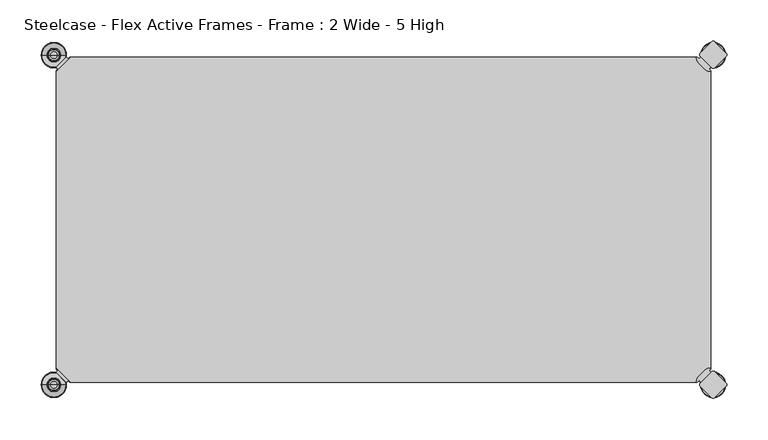
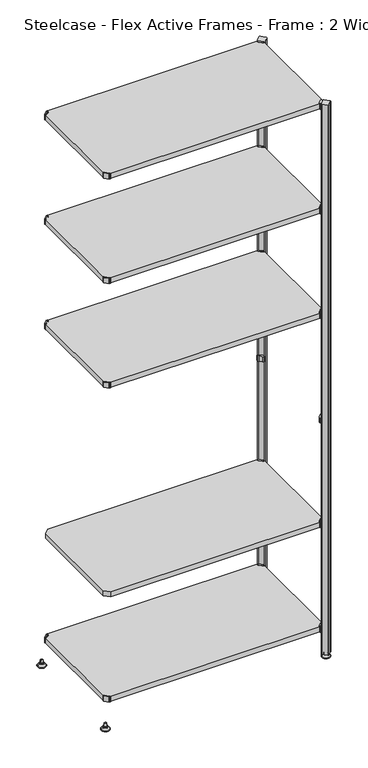
"""IFC4 building model written with IfcOpenShell, lengths in millimetres: furniture geometry, Steelcase - Flex Active Frames - Frame : 2 Wide - 5 High."""

from ifc_helpers import new_model, si_unit, point, frame, frame_2d, origin, place, context, project, spatial, polyline, circle_curve, ellipse_curve, trimmed, segment, composite_curve, outline, extrude, source, transform, mapped, element, save
from ifc_brep_helpers import plane_surface, cylinder_surface, revolved_surface, advanced_brep


def steelcase_flex_active_frames_frame_2_wide_5_high_b948a244(model_context):
    return source(origin(), model_context, "Body", "SolidModel", [
        advanced_brep(
        [(795.4995166, -396.9286835, 0.0), (809.4482375, -396.9286835, 0.0), (781.5507958, -396.9286835, 0.0), (810.3951451, -396.9286835, 2.116325), (780.6038882, -396.9286835, 2.116325), (804.2429012, -396.9286835, 8.9997406), (786.7561321, -396.9286835, 8.9997406), (802.9003852, -396.9286835, 8.9997406), (788.0986481, -396.9286835, 8.9997406), (802.9003852, -396.9286835, 12.0919909), (788.0986481, -396.9286835, 12.0919909), (802.3923852, -396.9286835, 12.5999909), (788.6066481, -396.9286835, 12.5999909), (799.518847, -396.9286835, 12.5999909), (791.4801863, -396.9286835, 12.5999909), (799.518847, -396.9286835, 22.7146261), (791.4801863, -396.9286835, 22.7146261), (795.4995166, -396.9286835, 22.7146261)],
        [
            (0, 1),
            (1, 2, circle_curve(frame((795.4995166, -396.9286835, 0.0), z_axis=(0.0, 0.0, -1.0), x_axis=(1.0, 0.0, 0.0)), 13.9487209)),
            (2, 0),
            (2, 1, circle_curve(frame((795.4995166, -396.9286835, 0.0), z_axis=(0.0, 0.0, -1.0), x_axis=(1.0, 0.0, 0.0)), 13.9487209)),
            (1, 3, circle_curve(frame((809.4482375, -396.9286835, 1.27), z_axis=(0.0, -1.0, 0.0), x_axis=(1.0, 0.0, 0.0)), 1.27)),
            (3, 4, circle_curve(frame((795.4995166, -396.9286835, 2.116325), z_axis=(0.0, 0.0, -1.0), x_axis=(1.0, 0.0, 0.0)), 14.8956285)),
            (4, 2, circle_curve(frame((781.5507958, -396.9286835, 1.27), z_axis=(0.0, -1.0, 0.0), x_axis=(-1.0, 0.0, 0.0)), 1.27)),
            (4, 3, circle_curve(frame((795.4995166, -396.9286835, 2.116325), z_axis=(0.0, 0.0, -1.0), x_axis=(1.0, 0.0, 0.0)), 14.8956285)),
            (3, 5),
            (5, 6, circle_curve(frame((795.4995166, -396.9286835, 8.9997406), z_axis=(0.0, 0.0, -1.0), x_axis=(1.0, 0.0, 0.0)), 8.7433846)),
            (6, 4),
            (6, 5, circle_curve(frame((795.4995166, -396.9286835, 8.9997406), z_axis=(0.0, 0.0, -1.0), x_axis=(1.0, 0.0, 0.0)), 8.7433846)),
            (5, 7),
            (7, 8, circle_curve(frame((795.4995166, -396.9286835, 8.9997406), z_axis=(0.0, 0.0, -1.0), x_axis=(1.0, 0.0, 0.0)), 7.4008685)),
            (8, 6),
            (8, 7, circle_curve(frame((795.4995166, -396.9286835, 8.9997406), z_axis=(0.0, 0.0, -1.0), x_axis=(1.0, 0.0, 0.0)), 7.4008685)),
            (7, 9),
            (9, 10, circle_curve(frame((795.4995166, -396.9286835, 12.0919909), z_axis=(0.0, 0.0, -1.0), x_axis=(1.0, 0.0, 0.0)), 7.4008685)),
            (10, 8),
            (10, 9, circle_curve(frame((795.4995166, -396.9286835, 12.0919909), z_axis=(0.0, 0.0, -1.0), x_axis=(1.0, 0.0, 0.0)), 7.4008685)),
            (9, 11, circle_curve(frame((802.3923852, -396.9286835, 12.0919909), z_axis=(0.0, -1.0, 0.0), x_axis=(1.0, 0.0, 0.0)), 0.508)),
            (11, 12, circle_curve(frame((795.4995166, -396.9286835, 12.5999909), z_axis=(0.0, 0.0, -1.0), x_axis=(1.0, 0.0, 0.0)), 6.8928685)),
            (12, 10, circle_curve(frame((788.6066481, -396.9286835, 12.0919909), z_axis=(0.0, -1.0, 0.0), x_axis=(-1.0, 0.0, 0.0)), 0.508)),
            (12, 11, circle_curve(frame((795.4995166, -396.9286835, 12.5999909), z_axis=(0.0, 0.0, -1.0), x_axis=(1.0, 0.0, 0.0)), 6.8928685)),
            (11, 13),
            (13, 14, circle_curve(frame((795.4995166, -396.9286835, 12.5999909), z_axis=(0.0, 0.0, -1.0), x_axis=(1.0, 0.0, 0.0)), 4.0193303)),
            (14, 12),
            (14, 13, circle_curve(frame((795.4995166, -396.9286835, 12.5999909), z_axis=(0.0, 0.0, -1.0), x_axis=(1.0, 0.0, 0.0)), 4.0193303)),
            (13, 15),
            (15, 16, circle_curve(frame((795.4995166, -396.9286835, 22.7146261), z_axis=(0.0, 0.0, -1.0), x_axis=(1.0, 0.0, 0.0)), 4.0193303)),
            (16, 14),
            (16, 15, circle_curve(frame((795.4995166, -396.9286835, 22.7146261), z_axis=(0.0, 0.0, -1.0), x_axis=(1.0, 0.0, 0.0)), 4.0193303)),
            (15, 17),
            (17, 16),
        ],
        [
            plane_surface(frame((795.4995166, -396.9286835, 0.0), z_axis=(0.0, 0.0, -1.0), x_axis=(1.0, 0.0, 0.0))),
            revolved_surface(trimmed(ellipse_curve(frame((809.4482375, -396.9286835, 1.27), z_axis=(0.0, 1.0, 0.0), x_axis=(1.0, 0.0, 0.0)), 1.27, 1.27), [point((810.3951451, -396.9286835, 2.116325))], [point((809.4482375, -396.9286835, 0.0))], True, "CARTESIAN"), (795.4995166, -396.9286835, 32.0514718), (0.0, 0.0, -1.0)),
            revolved_surface(polyline([(804.2429012, -396.9286835, 8.9997406), (810.3951451, -396.9286835, 2.116325)]), (795.4995166, -396.9286835, 32.0514718), (0.0, 0.0, -1.0)),
            plane_surface(frame((795.4995166, -396.9286835, 8.9997406), z_axis=(0.0, 0.0, 1.0), x_axis=(1.0, 0.0, 0.0))),
            cylinder_surface(frame((795.4995166, -396.9286835, 32.0514718), z_axis=(0.0, 0.0, -1.0), x_axis=(1.0, 0.0, 0.0)), 7.4008685),
            revolved_surface(trimmed(ellipse_curve(frame((802.3923852, -396.9286835, 12.0919909), z_axis=(0.0, 1.0, 0.0), x_axis=(1.0, 0.0, 0.0)), 0.508, 0.508), [point((802.3923852, -396.9286835, 12.5999909))], [point((802.9003852, -396.9286835, 12.0919909))], True, "CARTESIAN"), (795.4995166, -396.9286835, 32.0514718), (0.0, 0.0, -1.0)),
            plane_surface(frame((795.4995166, -396.9286835, 12.5999909), z_axis=(0.0, 0.0, 1.0), x_axis=(1.0, 0.0, 0.0))),
            cylinder_surface(frame((795.4995166, -396.9286835, 32.0514718), z_axis=(0.0, 0.0, -1.0), x_axis=(1.0, 0.0, 0.0)), 4.0193303),
            plane_surface(frame((795.4995166, -396.9286835, 22.7146261), z_axis=(0.0, 0.0, 1.0), x_axis=(1.0, 0.0, 0.0))),
        ],
        [
            (0, [[1, 2, 3]]),
            (0, [[-3, 4, -1]]),
            (1, [[-2, 5, 6, 7]]),
            (1, [[-4, -7, 8, -5]]),
            (2, [[-6, 9, 10, 11]]),
            (2, [[-8, -11, 12, -9]]),
            (3, [[-10, 13, 14, 15]]),
            (3, [[-12, -15, 16, -13]]),
            (4, [[-14, 17, 18, 19]]),
            (4, [[-16, -19, 20, -17]]),
            (5, [[-18, 21, 22, 23]]),
            (5, [[-20, -23, 24, -21]]),
            (6, [[-22, 25, 26, 27]]),
            (6, [[-24, -27, 28, -25]]),
            (7, [[-26, 29, 30, 31]]),
            (7, [[-28, -31, 32, -29]]),
            (8, [[-30, 33, 34]]),
            (8, [[-32, -34, -33]]),
        ],
    ),
        advanced_brep(
        [(795.4995166, 2.9246323, 0.0), (781.5507958, 2.9246323, 0.0), (809.4482375, 2.9246323, 0.0), (780.6038882, 2.9246323, 2.116325), (810.3951451, 2.9246323, 2.116325), (786.7561321, 2.9246323, 8.9997406), (804.2429012, 2.9246323, 8.9997406), (788.0986481, 2.9246323, 8.9997406), (802.9003852, 2.9246323, 8.9997406), (788.0986481, 2.9246323, 12.0919909), (802.9003852, 2.9246323, 12.0919909), (788.6066481, 2.9246323, 12.5999909), (802.3923852, 2.9246323, 12.5999909), (791.4801863, 2.9246323, 12.5999909), (799.518847, 2.9246323, 12.5999909), (791.4801863, 2.9246323, 22.7146261), (799.518847, 2.9246323, 22.7146261), (795.4995166, 2.9246323, 22.7146261)],
        [
            (0, 1),
            (1, 2, circle_curve(frame((795.4995166, 2.9246323, 0.0), z_axis=(0.0, 0.0, -1.0), x_axis=(1.0, 0.0, 0.0)), 13.9487209)),
            (2, 0),
            (2, 1, circle_curve(frame((795.4995166, 2.9246323, 0.0), z_axis=(0.0, 0.0, -1.0), x_axis=(1.0, 0.0, 0.0)), 13.9487209)),
            (1, 3, circle_curve(frame((781.5507958, 2.9246323, 1.27), z_axis=(0.0, 1.0, 0.0), x_axis=(-1.0, 0.0, 0.0)), 1.27)),
            (3, 4, circle_curve(frame((795.4995166, 2.9246323, 2.116325), z_axis=(0.0, 0.0, -1.0), x_axis=(1.0, 0.0, 0.0)), 14.8956285)),
            (4, 2, circle_curve(frame((809.4482375, 2.9246323, 1.27), z_axis=(0.0, 1.0, 0.0), x_axis=(1.0, 0.0, 0.0)), 1.27)),
            (4, 3, circle_curve(frame((795.4995166, 2.9246323, 2.116325), z_axis=(0.0, 0.0, -1.0), x_axis=(1.0, 0.0, 0.0)), 14.8956285)),
            (3, 5),
            (5, 6, circle_curve(frame((795.4995166, 2.9246323, 8.9997406), z_axis=(0.0, 0.0, -1.0), x_axis=(1.0, 0.0, 0.0)), 8.7433846)),
            (6, 4),
            (6, 5, circle_curve(frame((795.4995166, 2.9246323, 8.9997406), z_axis=(0.0, 0.0, -1.0), x_axis=(1.0, 0.0, 0.0)), 8.7433846)),
            (5, 7),
            (7, 8, circle_curve(frame((795.4995166, 2.9246323, 8.9997406), z_axis=(0.0, 0.0, -1.0), x_axis=(1.0, 0.0, 0.0)), 7.4008685)),
            (8, 6),
            (8, 7, circle_curve(frame((795.4995166, 2.9246323, 8.9997406), z_axis=(0.0, 0.0, -1.0), x_axis=(1.0, 0.0, 0.0)), 7.4008685)),
            (7, 9),
            (9, 10, circle_curve(frame((795.4995166, 2.9246323, 12.0919909), z_axis=(0.0, 0.0, -1.0), x_axis=(1.0, 0.0, 0.0)), 7.4008685)),
            (10, 8),
            (10, 9, circle_curve(frame((795.4995166, 2.9246323, 12.0919909), z_axis=(0.0, 0.0, -1.0), x_axis=(1.0, 0.0, 0.0)), 7.4008685)),
            (9, 11, circle_curve(frame((788.6066481, 2.9246323, 12.0919909), z_axis=(0.0, 1.0, 0.0), x_axis=(-1.0, 0.0, 0.0)), 0.508)),
            (11, 12, circle_curve(frame((795.4995166, 2.9246323, 12.5999909), z_axis=(0.0, 0.0, -1.0), x_axis=(1.0, 0.0, 0.0)), 6.8928685)),
            (12, 10, circle_curve(frame((802.3923852, 2.9246323, 12.0919909), z_axis=(0.0, 1.0, 0.0), x_axis=(1.0, 0.0, 0.0)), 0.508)),
            (12, 11, circle_curve(frame((795.4995166, 2.9246323, 12.5999909), z_axis=(0.0, 0.0, -1.0), x_axis=(1.0, 0.0, 0.0)), 6.8928685)),
            (11, 13),
            (13, 14, circle_curve(frame((795.4995166, 2.9246323, 12.5999909), z_axis=(0.0, 0.0, -1.0), x_axis=(1.0, 0.0, 0.0)), 4.0193303)),
            (14, 12),
            (14, 13, circle_curve(frame((795.4995166, 2.9246323, 12.5999909), z_axis=(0.0, 0.0, -1.0), x_axis=(1.0, 0.0, 0.0)), 4.0193303)),
            (13, 15),
            (15, 16, circle_curve(frame((795.4995166, 2.9246323, 22.7146261), z_axis=(0.0, 0.0, -1.0), x_axis=(1.0, 0.0, 0.0)), 4.0193303)),
            (16, 14),
            (16, 15, circle_curve(frame((795.4995166, 2.9246323, 22.7146261), z_axis=(0.0, 0.0, -1.0), x_axis=(1.0, 0.0, 0.0)), 4.0193303)),
            (15, 17),
            (17, 16),
        ],
        [
            plane_surface(frame((795.4995166, 2.9246323, 0.0), z_axis=(0.0, 0.0, -1.0), x_axis=(1.0, 0.0, 0.0))),
            revolved_surface(trimmed(ellipse_curve(frame((809.4482375, 2.9246323, 1.27), z_axis=(0.0, 1.0, 0.0), x_axis=(1.0, 0.0, 0.0)), 1.27, 1.27), [point((810.3951451, 2.9246323, 2.116325))], [point((809.4482375, 2.9246323, 0.0))], True, "CARTESIAN"), (795.4995166, 2.9246323, 32.0514718), (0.0, 0.0, -1.0)),
            revolved_surface(polyline([(804.2429012, 2.9246323, 8.9997406), (810.3951451, 2.9246323, 2.116325)]), (795.4995166, 2.9246323, 32.0514718), (0.0, 0.0, -1.0)),
            plane_surface(frame((795.4995166, 2.9246323, 8.9997406), z_axis=(0.0, 0.0, 1.0), x_axis=(1.0, 0.0, 0.0))),
            cylinder_surface(frame((795.4995166, 2.9246323, 32.0514718), z_axis=(0.0, 0.0, -1.0), x_axis=(1.0, 0.0, 0.0)), 7.4008685),
            revolved_surface(trimmed(ellipse_curve(frame((802.3923852, 2.9246323, 12.0919909), z_axis=(0.0, 1.0, 0.0), x_axis=(1.0, 0.0, 0.0)), 0.508, 0.508), [point((802.3923852, 2.9246323, 12.5999909))], [point((802.9003852, 2.9246323, 12.0919909))], True, "CARTESIAN"), (795.4995166, 2.9246323, 32.0514718), (0.0, 0.0, -1.0)),
            plane_surface(frame((795.4995166, 2.9246323, 12.5999909), z_axis=(0.0, 0.0, 1.0), x_axis=(1.0, 0.0, 0.0))),
            cylinder_surface(frame((795.4995166, 2.9246323, 32.0514718), z_axis=(0.0, 0.0, -1.0), x_axis=(1.0, 0.0, 0.0)), 4.0193303),
            plane_surface(frame((795.4995166, 2.9246323, 22.7146261), z_axis=(0.0, 0.0, 1.0), x_axis=(1.0, 0.0, 0.0))),
        ],
        [
            (0, [[1, 2, 3]]),
            (0, [[-3, 4, -1]]),
            (1, [[5, 6, 7, -2]]),
            (1, [[-7, 8, -5, -4]]),
            (2, [[9, 10, 11, -6]]),
            (2, [[-11, 12, -9, -8]]),
            (3, [[13, 14, 15, -10]]),
            (3, [[-15, 16, -13, -12]]),
            (4, [[17, 18, 19, -14]]),
            (4, [[-19, 20, -17, -16]]),
            (5, [[21, 22, 23, -18]]),
            (5, [[-23, 24, -21, -20]]),
            (6, [[25, 26, 27, -22]]),
            (6, [[-27, 28, -25, -24]]),
            (7, [[29, 30, 31, -26]]),
            (7, [[-31, 32, -29, -28]]),
            (8, [[33, 34, -30]]),
            (8, [[-34, -33, -32]]),
        ],
    ),
        advanced_brep(
        [(-3.0195166, -396.8786323, 0.0), (10.9292042, -396.8786323, 0.0), (-16.9682375, -396.8786323, 0.0), (11.8761118, -396.8786323, 2.116325), (-17.9151451, -396.8786323, 2.116325), (5.7238679, -396.8786323, 8.9997406), (-11.7629012, -396.8786323, 8.9997406), (4.3813519, -396.8786323, 8.9997406), (-10.4203852, -396.8786323, 8.9997406), (4.3813519, -396.8786323, 12.0919909), (-10.4203852, -396.8786323, 12.0919909), (3.8733519, -396.8786323, 12.5999909), (-9.9123852, -396.8786323, 12.5999909), (0.9998137, -396.8786323, 12.5999909), (-7.038847, -396.8786323, 12.5999909), (0.9998137, -396.8786323, 22.7146261), (-7.038847, -396.8786323, 22.7146261), (-3.0195166, -396.8786323, 22.7146261)],
        [
            (0, 1),
            (1, 2, circle_curve(frame((-3.0195166, -396.8786323, 0.0), z_axis=(0.0, 0.0, -1.0), x_axis=(-1.0, 0.0, 0.0)), 13.9487209)),
            (2, 0),
            (2, 1, circle_curve(frame((-3.0195166, -396.8786323, 0.0), z_axis=(0.0, 0.0, -1.0), x_axis=(-1.0, 0.0, 0.0)), 13.9487209)),
            (1, 3, circle_curve(frame((10.9292042, -396.8786323, 1.27), z_axis=(0.0, -1.0, 0.0), x_axis=(1.0, 0.0, 0.0)), 1.27)),
            (3, 4, circle_curve(frame((-3.0195166, -396.8786323, 2.116325), z_axis=(0.0, 0.0, -1.0), x_axis=(-1.0, 0.0, 0.0)), 14.8956285)),
            (4, 2, circle_curve(frame((-16.9682375, -396.8786323, 1.27), z_axis=(0.0, -1.0, 0.0), x_axis=(-1.0, 0.0, 0.0)), 1.27)),
            (4, 3, circle_curve(frame((-3.0195166, -396.8786323, 2.116325), z_axis=(0.0, 0.0, -1.0), x_axis=(-1.0, 0.0, 0.0)), 14.8956285)),
            (3, 5),
            (5, 6, circle_curve(frame((-3.0195166, -396.8786323, 8.9997406), z_axis=(0.0, 0.0, -1.0), x_axis=(-1.0, 0.0, 0.0)), 8.7433846)),
            (6, 4),
            (6, 5, circle_curve(frame((-3.0195166, -396.8786323, 8.9997406), z_axis=(0.0, 0.0, -1.0), x_axis=(-1.0, 0.0, 0.0)), 8.7433846)),
            (5, 7),
            (7, 8, circle_curve(frame((-3.0195166, -396.8786323, 8.9997406), z_axis=(0.0, 0.0, -1.0), x_axis=(-1.0, 0.0, 0.0)), 7.4008685)),
            (8, 6),
            (8, 7, circle_curve(frame((-3.0195166, -396.8786323, 8.9997406), z_axis=(0.0, 0.0, -1.0), x_axis=(-1.0, 0.0, 0.0)), 7.4008685)),
            (7, 9),
            (9, 10, circle_curve(frame((-3.0195166, -396.8786323, 12.0919909), z_axis=(0.0, 0.0, -1.0), x_axis=(-1.0, 0.0, 0.0)), 7.4008685)),
            (10, 8),
            (10, 9, circle_curve(frame((-3.0195166, -396.8786323, 12.0919909), z_axis=(0.0, 0.0, -1.0), x_axis=(-1.0, 0.0, 0.0)), 7.4008685)),
            (9, 11, circle_curve(frame((3.8733519, -396.8786323, 12.0919909), z_axis=(0.0, -1.0, 0.0), x_axis=(1.0, 0.0, 0.0)), 0.508)),
            (11, 12, circle_curve(frame((-3.0195166, -396.8786323, 12.5999909), z_axis=(0.0, 0.0, -1.0), x_axis=(-1.0, 0.0, 0.0)), 6.8928685)),
            (12, 10, circle_curve(frame((-9.9123852, -396.8786323, 12.0919909), z_axis=(0.0, -1.0, 0.0), x_axis=(-1.0, 0.0, 0.0)), 0.508)),
            (12, 11, circle_curve(frame((-3.0195166, -396.8786323, 12.5999909), z_axis=(0.0, 0.0, -1.0), x_axis=(-1.0, 0.0, 0.0)), 6.8928685)),
            (11, 13),
            (13, 14, circle_curve(frame((-3.0195166, -396.8786323, 12.5999909), z_axis=(0.0, 0.0, -1.0), x_axis=(-1.0, 0.0, 0.0)), 4.0193303)),
            (14, 12),
            (14, 13, circle_curve(frame((-3.0195166, -396.8786323, 12.5999909), z_axis=(0.0, 0.0, -1.0), x_axis=(-1.0, 0.0, 0.0)), 4.0193303)),
            (13, 15),
            (15, 16, circle_curve(frame((-3.0195166, -396.8786323, 22.7146261), z_axis=(0.0, 0.0, -1.0), x_axis=(-1.0, 0.0, 0.0)), 4.0193303)),
            (16, 14),
            (16, 15, circle_curve(frame((-3.0195166, -396.8786323, 22.7146261), z_axis=(0.0, 0.0, -1.0), x_axis=(-1.0, 0.0, 0.0)), 4.0193303)),
            (15, 17),
            (17, 16),
        ],
        [
            plane_surface(frame((-3.0195166, -396.8786323, 0.0), z_axis=(0.0, 0.0, -1.0), x_axis=(-1.0, 0.0, 0.0))),
            revolved_surface(trimmed(ellipse_curve(frame((-16.9682375, -396.8786323, 1.27), z_axis=(0.0, -1.0, 0.0), x_axis=(-1.0, 0.0, 0.0)), 1.27, 1.27), [point((-17.9151451, -396.8786323, 2.116325))], [point((-16.9682375, -396.8786323, 0.0))], True, "CARTESIAN"), (-3.0195166, -396.8786323, 32.0514718), (0.0, 0.0, -1.0)),
            revolved_surface(polyline([(-11.7629012, -396.8786323, 8.9997406), (-17.9151451, -396.8786323, 2.116325)]), (-3.0195166, -396.8786323, 32.0514718), (0.0, 0.0, -1.0)),
            plane_surface(frame((-3.0195166, -396.8786323, 8.9997406), z_axis=(0.0, 0.0, 1.0), x_axis=(-1.0, 0.0, 0.0))),
            cylinder_surface(frame((-3.0195166, -396.8786323, 32.0514718), z_axis=(0.0, 0.0, -1.0), x_axis=(-1.0, 0.0, 0.0)), 7.4008685),
            revolved_surface(trimmed(ellipse_curve(frame((-9.9123852, -396.8786323, 12.0919909), z_axis=(0.0, -1.0, 0.0), x_axis=(-1.0, 0.0, 0.0)), 0.508, 0.508), [point((-9.9123852, -396.8786323, 12.5999909))], [point((-10.4203852, -396.8786323, 12.0919909))], True, "CARTESIAN"), (-3.0195166, -396.8786323, 32.0514718), (0.0, 0.0, -1.0)),
            plane_surface(frame((-3.0195166, -396.8786323, 12.5999909), z_axis=(0.0, 0.0, 1.0), x_axis=(-1.0, 0.0, 0.0))),
            cylinder_surface(frame((-3.0195166, -396.8786323, 32.0514718), z_axis=(0.0, 0.0, -1.0), x_axis=(-1.0, 0.0, 0.0)), 4.0193303),
            plane_surface(frame((-3.0195166, -396.8786323, 22.7146261), z_axis=(0.0, 0.0, 1.0), x_axis=(-1.0, 0.0, 0.0))),
        ],
        [
            (0, [[1, 2, 3]]),
            (0, [[-3, 4, -1]]),
            (1, [[5, 6, 7, -2]]),
            (1, [[-7, 8, -5, -4]]),
            (2, [[9, 10, 11, -6]]),
            (2, [[-11, 12, -9, -8]]),
            (3, [[13, 14, 15, -10]]),
            (3, [[-15, 16, -13, -12]]),
            (4, [[17, 18, 19, -14]]),
            (4, [[-19, 20, -17, -16]]),
            (5, [[21, 22, 23, -18]]),
            (5, [[-23, 24, -21, -20]]),
            (6, [[25, 26, 27, -22]]),
            (6, [[-27, 28, -25, -24]]),
            (7, [[29, 30, 31, -26]]),
            (7, [[-31, 32, -29, -28]]),
            (8, [[33, 34, -30]]),
            (8, [[-34, -33, -32]]),
        ],
    ),
        advanced_brep(
        [(-3.0195166, 2.9246323, 0.0), (-16.9682375, 2.9246323, 0.0), (10.9292042, 2.9246323, 0.0), (-17.9151451, 2.9246323, 2.116325), (11.8761118, 2.9246323, 2.116325), (-11.7629012, 2.9246323, 8.9997406), (5.7238679, 2.9246323, 8.9997406), (-10.4203852, 2.9246323, 8.9997406), (4.3813519, 2.9246323, 8.9997406), (-10.4203852, 2.9246323, 12.0919909), (4.3813519, 2.9246323, 12.0919909), (-9.9123852, 2.9246323, 12.5999909), (3.8733519, 2.9246323, 12.5999909), (-7.038847, 2.9246323, 12.5999909), (0.9998137, 2.9246323, 12.5999909), (-7.038847, 2.9246323, 22.7146261), (0.9998137, 2.9246323, 22.7146261), (-3.0195166, 2.9246323, 22.7146261)],
        [
            (0, 1),
            (1, 2, circle_curve(frame((-3.0195166, 2.9246323, 0.0), z_axis=(0.0, 0.0, -1.0), x_axis=(-1.0, 0.0, 0.0)), 13.9487209)),
            (2, 0),
            (2, 1, circle_curve(frame((-3.0195166, 2.9246323, 0.0), z_axis=(0.0, 0.0, -1.0), x_axis=(-1.0, 0.0, 0.0)), 13.9487209)),
            (1, 3, circle_curve(frame((-16.9682375, 2.9246323, 1.27), z_axis=(0.0, 1.0, 0.0), x_axis=(-1.0, 0.0, 0.0)), 1.27)),
            (3, 4, circle_curve(frame((-3.0195166, 2.9246323, 2.116325), z_axis=(0.0, 0.0, -1.0), x_axis=(-1.0, 0.0, 0.0)), 14.8956285)),
            (4, 2, circle_curve(frame((10.9292042, 2.9246323, 1.27), z_axis=(0.0, 1.0, 0.0), x_axis=(1.0, 0.0, 0.0)), 1.27)),
            (4, 3, circle_curve(frame((-3.0195166, 2.9246323, 2.116325), z_axis=(0.0, 0.0, -1.0), x_axis=(-1.0, 0.0, 0.0)), 14.8956285)),
            (3, 5),
            (5, 6, circle_curve(frame((-3.0195166, 2.9246323, 8.9997406), z_axis=(0.0, 0.0, -1.0), x_axis=(-1.0, 0.0, 0.0)), 8.7433846)),
            (6, 4),
            (6, 5, circle_curve(frame((-3.0195166, 2.9246323, 8.9997406), z_axis=(0.0, 0.0, -1.0), x_axis=(-1.0, 0.0, 0.0)), 8.7433846)),
            (5, 7),
            (7, 8, circle_curve(frame((-3.0195166, 2.9246323, 8.9997406), z_axis=(0.0, 0.0, -1.0), x_axis=(-1.0, 0.0, 0.0)), 7.4008685)),
            (8, 6),
            (8, 7, circle_curve(frame((-3.0195166, 2.9246323, 8.9997406), z_axis=(0.0, 0.0, -1.0), x_axis=(-1.0, 0.0, 0.0)), 7.4008685)),
            (7, 9),
            (9, 10, circle_curve(frame((-3.0195166, 2.9246323, 12.0919909), z_axis=(0.0, 0.0, -1.0), x_axis=(-1.0, 0.0, 0.0)), 7.4008685)),
            (10, 8),
            (10, 9, circle_curve(frame((-3.0195166, 2.9246323, 12.0919909), z_axis=(0.0, 0.0, -1.0), x_axis=(-1.0, 0.0, 0.0)), 7.4008685)),
            (9, 11, circle_curve(frame((-9.9123852, 2.9246323, 12.0919909), z_axis=(0.0, 1.0, 0.0), x_axis=(-1.0, 0.0, 0.0)), 0.508)),
            (11, 12, circle_curve(frame((-3.0195166, 2.9246323, 12.5999909), z_axis=(0.0, 0.0, -1.0), x_axis=(-1.0, 0.0, 0.0)), 6.8928685)),
            (12, 10, circle_curve(frame((3.8733519, 2.9246323, 12.0919909), z_axis=(0.0, 1.0, 0.0), x_axis=(1.0, 0.0, 0.0)), 0.508)),
            (12, 11, circle_curve(frame((-3.0195166, 2.9246323, 12.5999909), z_axis=(0.0, 0.0, -1.0), x_axis=(-1.0, 0.0, 0.0)), 6.8928685)),
            (11, 13),
            (13, 14, circle_curve(frame((-3.0195166, 2.9246323, 12.5999909), z_axis=(0.0, 0.0, -1.0), x_axis=(-1.0, 0.0, 0.0)), 4.0193303)),
            (14, 12),
            (14, 13, circle_curve(frame((-3.0195166, 2.9246323, 12.5999909), z_axis=(0.0, 0.0, -1.0), x_axis=(-1.0, 0.0, 0.0)), 4.0193303)),
            (13, 15),
            (15, 16, circle_curve(frame((-3.0195166, 2.9246323, 22.7146261), z_axis=(0.0, 0.0, -1.0), x_axis=(-1.0, 0.0, 0.0)), 4.0193303)),
            (16, 14),
            (16, 15, circle_curve(frame((-3.0195166, 2.9246323, 22.7146261), z_axis=(0.0, 0.0, -1.0), x_axis=(-1.0, 0.0, 0.0)), 4.0193303)),
            (15, 17),
            (17, 16),
        ],
        [
            plane_surface(frame((-3.0195166, 2.9246323, 0.0), z_axis=(0.0, 0.0, -1.0), x_axis=(-1.0, 0.0, 0.0))),
            revolved_surface(trimmed(ellipse_curve(frame((-16.9682375, 2.9246323, 1.27), z_axis=(0.0, -1.0, 0.0), x_axis=(-1.0, 0.0, 0.0)), 1.27, 1.27), [point((-17.9151451, 2.9246323, 2.116325))], [point((-16.9682375, 2.9246323, 0.0))], True, "CARTESIAN"), (-3.0195166, 2.9246323, 32.0514718), (0.0, 0.0, -1.0)),
            revolved_surface(polyline([(-11.7629012, 2.9246323, 8.9997406), (-17.9151451, 2.9246323, 2.116325)]), (-3.0195166, 2.9246323, 32.0514718), (0.0, 0.0, -1.0)),
            plane_surface(frame((-3.0195166, 2.9246323, 8.9997406), z_axis=(0.0, 0.0, 1.0), x_axis=(-1.0, 0.0, 0.0))),
            cylinder_surface(frame((-3.0195166, 2.9246323, 32.0514718), z_axis=(0.0, 0.0, -1.0), x_axis=(-1.0, 0.0, 0.0)), 7.4008685),
            revolved_surface(trimmed(ellipse_curve(frame((-9.9123852, 2.9246323, 12.0919909), z_axis=(0.0, -1.0, 0.0), x_axis=(-1.0, 0.0, 0.0)), 0.508, 0.508), [point((-9.9123852, 2.9246323, 12.5999909))], [point((-10.4203852, 2.9246323, 12.0919909))], True, "CARTESIAN"), (-3.0195166, 2.9246323, 32.0514718), (0.0, 0.0, -1.0)),
            plane_surface(frame((-3.0195166, 2.9246323, 12.5999909), z_axis=(0.0, 0.0, 1.0), x_axis=(-1.0, 0.0, 0.0))),
            cylinder_surface(frame((-3.0195166, 2.9246323, 32.0514718), z_axis=(0.0, 0.0, -1.0), x_axis=(-1.0, 0.0, 0.0)), 4.0193303),
            plane_surface(frame((-3.0195166, 2.9246323, 22.7146261), z_axis=(0.0, 0.0, 1.0), x_axis=(-1.0, 0.0, 0.0))),
        ],
        [
            (0, [[1, 2, 3]]),
            (0, [[-3, 4, -1]]),
            (1, [[-2, 5, 6, 7]]),
            (1, [[-4, -7, 8, -5]]),
            (2, [[-6, 9, 10, 11]]),
            (2, [[-8, -11, 12, -9]]),
            (3, [[-10, 13, 14, 15]]),
            (3, [[-12, -15, 16, -13]]),
            (4, [[-14, 17, 18, 19]]),
            (4, [[-16, -19, 20, -17]]),
            (5, [[-18, 21, 22, 23]]),
            (5, [[-20, -23, 24, -21]]),
            (6, [[-22, 25, 26, 27]]),
            (6, [[-24, -27, 28, -25]]),
            (7, [[-26, 29, 30, 31]]),
            (7, [[-28, -31, 32, -29]]),
            (8, [[-30, 33, 34]]),
            (8, [[-32, -34, -33]]),
        ],
    ),
        extrude(outline(composite_curve([segment(polyline([(778.3364357, -1.93874), (780.4244011, 0.1493247), (792.6187028, -12.044977), (790.530772, -14.1329326), (792.5017057, -16.1038431), (792.4895198, -17.203916), (789.7543812, -16.8384277)]), True, "CONTINUOUS"), segment(trimmed(circle_curve(frame_2d((790.5954366, -10.5443729)), 6.35), [point((789.7543812, -16.8384277))], [point((786.1052784, -15.0344708))], False, "CARTESIAN"), True, "CONTINUOUS"), segment(polyline([(786.1052784, -15.0344708), (777.4359854, -6.3650612)]), True, "CONTINUOUS"), segment(trimmed(circle_curve(frame_2d((781.9261436, -1.8749633)), 6.35), [point((777.4359854, -6.3650612))], [point((775.6321123, -2.7161946))], False, "CARTESIAN"), True, "CONTINUOUS"), segment(polyline([(775.6321123, -2.7161946), (775.26654, 0.0189911), (776.3664729, 0.0311996), (778.3364357, -1.93874)]), True, "CONTINUOUS")], self_intersect=False)), frame((0.0, 0.0, 2096.4822075), z_axis=(0.0, 0.0, 1.0), x_axis=(1.0, 0.0, 0.0)), (0.0, 0.0, 1.0), 20.2281258),
        extrude(outline(composite_curve([segment(polyline([(778.3364357, -392.01526), (776.3664729, -393.9851996), (775.26654, -393.9729911), (775.6321123, -391.2378054)]), True, "CONTINUOUS"), segment(trimmed(circle_curve(frame_2d((781.9261436, -392.0790367)), 6.35), [point((775.6321123, -391.2378054))], [point((777.4359854, -387.5889388))], False, "CARTESIAN"), True, "CONTINUOUS"), segment(polyline([(777.4359854, -387.5889388), (786.1052784, -378.9195292)]), True, "CONTINUOUS"), segment(trimmed(circle_curve(frame_2d((790.5954366, -383.4096271)), 6.35), [point((786.1052784, -378.9195292))], [point((789.7543812, -377.1155723))], False, "CARTESIAN"), True, "CONTINUOUS"), segment(polyline([(789.7543812, -377.1155723), (792.4895198, -376.750084), (792.5017057, -377.8501569), (790.530772, -379.8210674), (792.6187028, -381.909023), (780.4244011, -394.1033247), (778.3364357, -392.01526)]), True, "CONTINUOUS")], self_intersect=False)), frame((0.0, 0.0, 2096.4822075), z_axis=(0.0, 0.0, 1.0), x_axis=(1.0, 0.0, 0.0)), (0.0, 0.0, 1.0), 20.2281258),
        extrude(outline(polyline([(0.0003876, -376.7599914), (0.0003876, -17.1940086), (17.1943962, 0.0), (775.2856038, 0.0), (792.4796124, -17.1940086), (792.4796124, -376.7599914), (775.2856038, -393.954), (17.1943962, -393.954), (0.0003876, -376.7599914)])), frame((0.0, 0.0, 2097.4996841), z_axis=(0.0, 0.0, 1.0), x_axis=(1.0, 0.0, 0.0)), (0.0, 0.0, 1.0), 19.0000031),
        extrude(outline(composite_curve([segment(polyline([(14.1435643, -1.93874), (16.1135271, 0.0311996), (17.21346, 0.0189911), (16.8478877, -2.7161946)]), True, "CONTINUOUS"), segment(trimmed(circle_curve(frame_2d((10.5538564, -1.8749633)), 6.35), [point((16.8478877, -2.7161946))], [point((15.0440146, -6.3650612))], False, "CARTESIAN"), True, "CONTINUOUS"), segment(polyline([(15.0440146, -6.3650612), (6.3747216, -15.0344708)]), True, "CONTINUOUS"), segment(trimmed(circle_curve(frame_2d((1.8845634, -10.5443729)), 6.35), [point((6.3747216, -15.0344708))], [point((2.7256188, -16.8384277))], False, "CARTESIAN"), True, "CONTINUOUS"), segment(polyline([(2.7256188, -16.8384277), (-0.0095198, -17.203916), (-0.0217057, -16.1038431), (1.949228, -14.1329326), (-0.1387028, -12.044977), (12.0555989, 0.1493247), (14.1435643, -1.93874)]), True, "CONTINUOUS")], self_intersect=False)), frame((0.0, 0.0, 2096.4822075), z_axis=(0.0, 0.0, 1.0), x_axis=(1.0, 0.0, 0.0)), (0.0, 0.0, 1.0), 20.2281258),
        extrude(outline(composite_curve([segment(polyline([(14.1435643, -392.01526), (12.0555989, -394.1033247), (-0.1387028, -381.909023), (1.949228, -379.8210674), (-0.0217057, -377.8501569), (-0.0095198, -376.750084), (2.7256188, -377.1155723)]), True, "CONTINUOUS"), segment(trimmed(circle_curve(frame_2d((1.8845634, -383.4096271)), 6.35), [point((2.7256188, -377.1155723))], [point((6.3747216, -378.9195292))], False, "CARTESIAN"), True, "CONTINUOUS"), segment(polyline([(6.3747216, -378.9195292), (15.0440146, -387.5889388)]), True, "CONTINUOUS"), segment(trimmed(circle_curve(frame_2d((10.5538564, -392.0790367)), 6.35), [point((15.0440146, -387.5889388))], [point((16.8478877, -391.2378054))], False, "CARTESIAN"), True, "CONTINUOUS"), segment(polyline([(16.8478877, -391.2378054), (17.21346, -393.9729911), (16.1135271, -393.9851996), (14.1435643, -392.01526)]), True, "CONTINUOUS")], self_intersect=False)), frame((0.0, 0.0, 2096.4822075), z_axis=(0.0, 0.0, 1.0), x_axis=(1.0, 0.0, 0.0)), (0.0, 0.0, 1.0), 20.2281258),
        extrude(outline(composite_curve([segment(polyline([(778.3364357, -1.93874), (780.4244011, 0.1493247), (792.6187028, -12.044977), (790.530772, -14.1329326), (792.5017057, -16.1038431), (792.4895198, -17.203916), (789.7543812, -16.8384277)]), True, "CONTINUOUS"), segment(trimmed(circle_curve(frame_2d((790.5954366, -10.5443729)), 6.35), [point((789.7543812, -16.8384277))], [point((786.1052784, -15.0344708))], False, "CARTESIAN"), True, "CONTINUOUS"), segment(polyline([(786.1052784, -15.0344708), (777.4359854, -6.3650612)]), True, "CONTINUOUS"), segment(trimmed(circle_curve(frame_2d((781.9261436, -1.8749633)), 6.35), [point((777.4359854, -6.3650612))], [point((775.6321123, -2.7161946))], False, "CARTESIAN"), True, "CONTINUOUS"), segment(polyline([(775.6321123, -2.7161946), (775.26654, 0.0189911), (776.3664729, 0.0311996), (778.3364357, -1.93874)]), True, "CONTINUOUS")], self_intersect=False)), frame((0.0, 0.0, 1696.4822044), z_axis=(0.0, 0.0, 1.0), x_axis=(1.0, 0.0, 0.0)), (0.0, 0.0, 1.0), 20.2281258),
        extrude(outline(composite_curve([segment(polyline([(778.3364357, -392.01526), (776.3664729, -393.9851996), (775.26654, -393.9729911), (775.6321123, -391.2378054)]), True, "CONTINUOUS"), segment(trimmed(circle_curve(frame_2d((781.9261436, -392.0790367)), 6.35), [point((775.6321123, -391.2378054))], [point((777.4359854, -387.5889388))], False, "CARTESIAN"), True, "CONTINUOUS"), segment(polyline([(777.4359854, -387.5889388), (786.1052784, -378.9195292)]), True, "CONTINUOUS"), segment(trimmed(circle_curve(frame_2d((790.5954366, -383.4096271)), 6.35), [point((786.1052784, -378.9195292))], [point((789.7543812, -377.1155723))], False, "CARTESIAN"), True, "CONTINUOUS"), segment(polyline([(789.7543812, -377.1155723), (792.4895198, -376.750084), (792.5017057, -377.8501569), (790.530772, -379.8210674), (792.6187028, -381.909023), (780.4244011, -394.1033247), (778.3364357, -392.01526)]), True, "CONTINUOUS")], self_intersect=False)), frame((0.0, 0.0, 1696.4822044), z_axis=(0.0, 0.0, 1.0), x_axis=(1.0, 0.0, 0.0)), (0.0, 0.0, 1.0), 20.2281258),
        extrude(outline(polyline([(0.0003876, -376.7599914), (0.0003876, -17.1940086), (17.1943962, 0.0), (775.2856038, 0.0), (792.4796124, -17.1940086), (792.4796124, -376.7599914), (775.2856038, -393.954), (17.1943962, -393.954), (0.0003876, -376.7599914)])), frame((0.0, 0.0, 1697.4996811), z_axis=(0.0, 0.0, 1.0), x_axis=(1.0, 0.0, 0.0)), (0.0, 0.0, 1.0), 19.0000031),
        extrude(outline(composite_curve([segment(polyline([(14.1435643, -1.93874), (16.1135271, 0.0311996), (17.21346, 0.0189911), (16.8478877, -2.7161946)]), True, "CONTINUOUS"), segment(trimmed(circle_curve(frame_2d((10.5538564, -1.8749633)), 6.35), [point((16.8478877, -2.7161946))], [point((15.0440146, -6.3650612))], False, "CARTESIAN"), True, "CONTINUOUS"), segment(polyline([(15.0440146, -6.3650612), (6.3747216, -15.0344708)]), True, "CONTINUOUS"), segment(trimmed(circle_curve(frame_2d((1.8845634, -10.5443729)), 6.35), [point((6.3747216, -15.0344708))], [point((2.7256188, -16.8384277))], False, "CARTESIAN"), True, "CONTINUOUS"), segment(polyline([(2.7256188, -16.8384277), (-0.0095198, -17.203916), (-0.0217057, -16.1038431), (1.949228, -14.1329326), (-0.1387028, -12.044977), (12.0555989, 0.1493247), (14.1435643, -1.93874)]), True, "CONTINUOUS")], self_intersect=False)), frame((0.0, 0.0, 1696.4822044), z_axis=(0.0, 0.0, 1.0), x_axis=(1.0, 0.0, 0.0)), (0.0, 0.0, 1.0), 20.2281258),
        extrude(outline(composite_curve([segment(polyline([(14.1435643, -392.01526), (12.0555989, -394.1033247), (-0.1387028, -381.909023), (1.949228, -379.8210674), (-0.0217057, -377.8501569), (-0.0095198, -376.750084), (2.7256188, -377.1155723)]), True, "CONTINUOUS"), segment(trimmed(circle_curve(frame_2d((1.8845634, -383.4096271)), 6.35), [point((2.7256188, -377.1155723))], [point((6.3747216, -378.9195292))], False, "CARTESIAN"), True, "CONTINUOUS"), segment(polyline([(6.3747216, -378.9195292), (15.0440146, -387.5889388)]), True, "CONTINUOUS"), segment(trimmed(circle_curve(frame_2d((10.5538564, -392.0790367)), 6.35), [point((15.0440146, -387.5889388))], [point((16.8478877, -391.2378054))], False, "CARTESIAN"), True, "CONTINUOUS"), segment(polyline([(16.8478877, -391.2378054), (17.21346, -393.9729911), (16.1135271, -393.9851996), (14.1435643, -392.01526)]), True, "CONTINUOUS")], self_intersect=False)), frame((0.0, 0.0, 1696.4822044), z_axis=(0.0, 0.0, 1.0), x_axis=(1.0, 0.0, 0.0)), (0.0, 0.0, 1.0), 20.2281258),
        extrude(outline(composite_curve([segment(polyline([(778.3364357, -1.93874), (780.4244011, 0.1493247), (792.6187028, -12.044977), (790.530772, -14.1329326), (792.5017057, -16.1038431), (792.4895198, -17.203916), (789.7543812, -16.8384277)]), True, "CONTINUOUS"), segment(trimmed(circle_curve(frame_2d((790.5954366, -10.5443729)), 6.35), [point((789.7543812, -16.8384277))], [point((786.1052784, -15.0344708))], False, "CARTESIAN"), True, "CONTINUOUS"), segment(polyline([(786.1052784, -15.0344708), (777.4359854, -6.3650612)]), True, "CONTINUOUS"), segment(trimmed(circle_curve(frame_2d((781.9261436, -1.8749633)), 6.35), [point((777.4359854, -6.3650612))], [point((775.6321123, -2.7161946))], False, "CARTESIAN"), True, "CONTINUOUS"), segment(polyline([(775.6321123, -2.7161946), (775.26654, 0.0189911), (776.3664729, 0.0311996), (778.3364357, -1.93874)]), True, "CONTINUOUS")], self_intersect=False)), frame((0.0, 0.0, 1296.4822014), z_axis=(0.0, 0.0, 1.0), x_axis=(1.0, 0.0, 0.0)), (0.0, 0.0, 1.0), 20.2281258),
        extrude(outline(composite_curve([segment(polyline([(778.3364357, -392.01526), (776.3664729, -393.9851996), (775.26654, -393.9729911), (775.6321123, -391.2378054)]), True, "CONTINUOUS"), segment(trimmed(circle_curve(frame_2d((781.9261436, -392.0790367)), 6.35), [point((775.6321123, -391.2378054))], [point((777.4359854, -387.5889388))], False, "CARTESIAN"), True, "CONTINUOUS"), segment(polyline([(777.4359854, -387.5889388), (786.1052784, -378.9195292)]), True, "CONTINUOUS"), segment(trimmed(circle_curve(frame_2d((790.5954366, -383.4096271)), 6.35), [point((786.1052784, -378.9195292))], [point((789.7543812, -377.1155723))], False, "CARTESIAN"), True, "CONTINUOUS"), segment(polyline([(789.7543812, -377.1155723), (792.4895198, -376.750084), (792.5017057, -377.8501569), (790.530772, -379.8210674), (792.6187028, -381.909023), (780.4244011, -394.1033247), (778.3364357, -392.01526)]), True, "CONTINUOUS")], self_intersect=False)), frame((0.0, 0.0, 1296.4822014), z_axis=(0.0, 0.0, 1.0), x_axis=(1.0, 0.0, 0.0)), (0.0, 0.0, 1.0), 20.2281258),
        extrude(outline(polyline([(0.0003876, -376.7599914), (0.0003876, -17.1940086), (17.1943962, 0.0), (775.2856038, 0.0), (792.4796124, -17.1940086), (792.4796124, -376.7599914), (775.2856038, -393.954), (17.1943962, -393.954), (0.0003876, -376.7599914)])), frame((0.0, 0.0, 1297.499678), z_axis=(0.0, 0.0, 1.0), x_axis=(1.0, 0.0, 0.0)), (0.0, 0.0, 1.0), 19.0000031),
        extrude(outline(composite_curve([segment(polyline([(14.1435643, -1.93874), (16.1135271, 0.0311996), (17.21346, 0.0189911), (16.8478877, -2.7161946)]), True, "CONTINUOUS"), segment(trimmed(circle_curve(frame_2d((10.5538564, -1.8749633)), 6.35), [point((16.8478877, -2.7161946))], [point((15.0440146, -6.3650612))], False, "CARTESIAN"), True, "CONTINUOUS"), segment(polyline([(15.0440146, -6.3650612), (6.3747216, -15.0344708)]), True, "CONTINUOUS"), segment(trimmed(circle_curve(frame_2d((1.8845634, -10.5443729)), 6.35), [point((6.3747216, -15.0344708))], [point((2.7256188, -16.8384277))], False, "CARTESIAN"), True, "CONTINUOUS"), segment(polyline([(2.7256188, -16.8384277), (-0.0095198, -17.203916), (-0.0217057, -16.1038431), (1.949228, -14.1329326), (-0.1387028, -12.044977), (12.0555989, 0.1493247), (14.1435643, -1.93874)]), True, "CONTINUOUS")], self_intersect=False)), frame((0.0, 0.0, 1296.4822014), z_axis=(0.0, 0.0, 1.0), x_axis=(1.0, 0.0, 0.0)), (0.0, 0.0, 1.0), 20.2281258),
        extrude(outline(composite_curve([segment(polyline([(14.1435643, -392.01526), (12.0555989, -394.1033247), (-0.1387028, -381.909023), (1.949228, -379.8210674), (-0.0217057, -377.8501569), (-0.0095198, -376.750084), (2.7256188, -377.1155723)]), True, "CONTINUOUS"), segment(trimmed(circle_curve(frame_2d((1.8845634, -383.4096271)), 6.35), [point((2.7256188, -377.1155723))], [point((6.3747216, -378.9195292))], False, "CARTESIAN"), True, "CONTINUOUS"), segment(polyline([(6.3747216, -378.9195292), (15.0440146, -387.5889388)]), True, "CONTINUOUS"), segment(trimmed(circle_curve(frame_2d((10.5538564, -392.0790367)), 6.35), [point((15.0440146, -387.5889388))], [point((16.8478877, -391.2378054))], False, "CARTESIAN"), True, "CONTINUOUS"), segment(polyline([(16.8478877, -391.2378054), (17.21346, -393.9729911), (16.1135271, -393.9851996), (14.1435643, -392.01526)]), True, "CONTINUOUS")], self_intersect=False)), frame((0.0, 0.0, 1296.4822014), z_axis=(0.0, 0.0, 1.0), x_axis=(1.0, 0.0, 0.0)), (0.0, 0.0, 1.0), 20.2281258),
        extrude(outline(composite_curve([segment(polyline([(778.3364357, -1.93874), (780.4244011, 0.1493247), (792.6187028, -12.044977), (790.530772, -14.1329326), (792.5017057, -16.1038431), (792.4895198, -17.203916), (789.7543812, -16.8384277)]), True, "CONTINUOUS"), segment(trimmed(circle_curve(frame_2d((790.5954366, -10.5443729)), 6.35), [point((789.7543812, -16.8384277))], [point((786.1052784, -15.0344708))], False, "CARTESIAN"), True, "CONTINUOUS"), segment(polyline([(786.1052784, -15.0344708), (777.4359854, -6.3650612)]), True, "CONTINUOUS"), segment(trimmed(circle_curve(frame_2d((781.9261436, -1.8749633)), 6.35), [point((777.4359854, -6.3650612))], [point((775.6321123, -2.7161946))], False, "CARTESIAN"), True, "CONTINUOUS"), segment(polyline([(775.6321123, -2.7161946), (775.26654, 0.0189911), (776.3664729, 0.0311996), (778.3364357, -1.93874)]), True, "CONTINUOUS")], self_intersect=False)), frame((0.0, 0.0, 896.4822952), z_axis=(0.0, 0.0, 1.0), x_axis=(1.0, 0.0, 0.0)), (0.0, 0.0, 1.0), 20.2281258),
        extrude(outline(composite_curve([segment(polyline([(778.3364357, -392.01526), (776.3664729, -393.9851996), (775.26654, -393.9729911), (775.6321123, -391.2378054)]), True, "CONTINUOUS"), segment(trimmed(circle_curve(frame_2d((781.9261436, -392.0790367)), 6.35), [point((775.6321123, -391.2378054))], [point((777.4359854, -387.5889388))], False, "CARTESIAN"), True, "CONTINUOUS"), segment(polyline([(777.4359854, -387.5889388), (786.1052784, -378.9195292)]), True, "CONTINUOUS"), segment(trimmed(circle_curve(frame_2d((790.5954366, -383.4096271)), 6.35), [point((786.1052784, -378.9195292))], [point((789.7543812, -377.1155723))], False, "CARTESIAN"), True, "CONTINUOUS"), segment(polyline([(789.7543812, -377.1155723), (792.4895198, -376.750084), (792.5017057, -377.8501569), (790.530772, -379.8210674), (792.6187028, -381.909023), (780.4244011, -394.1033247), (778.3364357, -392.01526)]), True, "CONTINUOUS")], self_intersect=False)), frame((0.0, 0.0, 896.4822952), z_axis=(0.0, 0.0, 1.0), x_axis=(1.0, 0.0, 0.0)), (0.0, 0.0, 1.0), 20.2281258),
        extrude(outline(composite_curve([segment(polyline([(778.3364357, -1.93874), (780.4244011, 0.1493247), (792.6187028, -12.044977), (790.530772, -14.1329326), (792.5017057, -16.1038431), (792.4895198, -17.203916), (789.7543812, -16.8384277)]), True, "CONTINUOUS"), segment(trimmed(circle_curve(frame_2d((790.5954366, -10.5443729)), 6.35), [point((789.7543812, -16.8384277))], [point((786.1052784, -15.0344708))], False, "CARTESIAN"), True, "CONTINUOUS"), segment(polyline([(786.1052784, -15.0344708), (777.4359854, -6.3650612)]), True, "CONTINUOUS"), segment(trimmed(circle_curve(frame_2d((781.9261436, -1.8749633)), 6.35), [point((777.4359854, -6.3650612))], [point((775.6321123, -2.7161946))], False, "CARTESIAN"), True, "CONTINUOUS"), segment(polyline([(775.6321123, -2.7161946), (775.26654, 0.0189911), (776.3664729, 0.0311996), (778.3364357, -1.93874)]), True, "CONTINUOUS")], self_intersect=False)), frame((0.0, 0.0, 496.4821468), z_axis=(0.0, 0.0, 1.0), x_axis=(1.0, 0.0, 0.0)), (0.0, 0.0, 1.0), 20.2281258),
        extrude(outline(composite_curve([segment(polyline([(778.3364357, -392.01526), (776.3664729, -393.9851996), (775.26654, -393.9729911), (775.6321123, -391.2378054)]), True, "CONTINUOUS"), segment(trimmed(circle_curve(frame_2d((781.9261436, -392.0790367)), 6.35), [point((775.6321123, -391.2378054))], [point((777.4359854, -387.5889388))], False, "CARTESIAN"), True, "CONTINUOUS"), segment(polyline([(777.4359854, -387.5889388), (786.1052784, -378.9195292)]), True, "CONTINUOUS"), segment(trimmed(circle_curve(frame_2d((790.5954366, -383.4096271)), 6.35), [point((786.1052784, -378.9195292))], [point((789.7543812, -377.1155723))], False, "CARTESIAN"), True, "CONTINUOUS"), segment(polyline([(789.7543812, -377.1155723), (792.4895198, -376.750084), (792.5017057, -377.8501569), (790.530772, -379.8210674), (792.6187028, -381.909023), (780.4244011, -394.1033247), (778.3364357, -392.01526)]), True, "CONTINUOUS")], self_intersect=False)), frame((0.0, 0.0, 496.4821468), z_axis=(0.0, 0.0, 1.0), x_axis=(1.0, 0.0, 0.0)), (0.0, 0.0, 1.0), 20.2281258),
        extrude(outline(composite_curve([segment(polyline([(778.3364357, -1.93874), (780.4244011, 0.1493247), (792.6187028, -12.044977), (790.530772, -14.1329326), (792.5017057, -16.1038431), (792.4895198, -17.203916), (789.7543812, -16.8384277)]), True, "CONTINUOUS"), segment(trimmed(circle_curve(frame_2d((790.5954366, -10.5443729)), 6.35), [point((789.7543812, -16.8384277))], [point((786.1052784, -15.0344708))], False, "CARTESIAN"), True, "CONTINUOUS"), segment(polyline([(786.1052784, -15.0344708), (777.4359854, -6.3650612)]), True, "CONTINUOUS"), segment(trimmed(circle_curve(frame_2d((781.9261436, -1.8749633)), 6.35), [point((777.4359854, -6.3650612))], [point((775.6321123, -2.7161946))], False, "CARTESIAN"), True, "CONTINUOUS"), segment(polyline([(775.6321123, -2.7161946), (775.26654, 0.0189911), (776.3664729, 0.0311996), (778.3364357, -1.93874)]), True, "CONTINUOUS")], self_intersect=False)), frame((0.0, 0.0, 96.4824829), z_axis=(0.0, 0.0, 1.0), x_axis=(1.0, 0.0, 0.0)), (0.0, 0.0, 1.0), 20.2281258),
        extrude(outline(composite_curve([segment(polyline([(778.3364357, -392.01526), (776.3664729, -393.9851996), (775.26654, -393.9729911), (775.6321123, -391.2378054)]), True, "CONTINUOUS"), segment(trimmed(circle_curve(frame_2d((781.9261436, -392.0790367)), 6.35), [point((775.6321123, -391.2378054))], [point((777.4359854, -387.5889388))], False, "CARTESIAN"), True, "CONTINUOUS"), segment(polyline([(777.4359854, -387.5889388), (786.1052784, -378.9195292)]), True, "CONTINUOUS"), segment(trimmed(circle_curve(frame_2d((790.5954366, -383.4096271)), 6.35), [point((786.1052784, -378.9195292))], [point((789.7543812, -377.1155723))], False, "CARTESIAN"), True, "CONTINUOUS"), segment(polyline([(789.7543812, -377.1155723), (792.4895198, -376.750084), (792.5017057, -377.8501569), (790.530772, -379.8210674), (792.6187028, -381.909023), (780.4244011, -394.1033247), (778.3364357, -392.01526)]), True, "CONTINUOUS")], self_intersect=False)), frame((0.0, 0.0, 96.4824829), z_axis=(0.0, 0.0, 1.0), x_axis=(1.0, 0.0, 0.0)), (0.0, 0.0, 1.0), 20.2281258),
        extrude(outline(composite_curve([segment(trimmed(circle_curve(frame_2d((808.8538021, 2.9983545)), 3.048), [point((811.0090767, 5.1536029))], [point((811.0090505, 0.8430799))], False, "CARTESIAN"), True, "CONTINUOUS"), segment(polyline([(811.0090505, 0.8430799), (797.6462856, -12.5195224)]), True, "CONTINUOUS"), segment(trimmed(circle_curve(frame_2d((795.4910373, -10.3642478)), 3.048), [point((797.6462856, -12.5195224))], [point((793.3357649, -12.5194983))], False, "CARTESIAN"), True, "CONTINUOUS"), segment(polyline([(793.3357649, -12.5194983), (779.9732856, 0.8431164)]), True, "CONTINUOUS"), segment(trimmed(circle_curve(frame_2d((782.128558, 2.998367)), 3.048), [point((779.9732856, 0.8431164))], [point((779.9732965, 5.1536284))], False, "CARTESIAN"), True, "CONTINUOUS"), segment(polyline([(779.9732965, 5.1536284), (793.3359936, 18.5163256)]), True, "CONTINUOUS"), segment(trimmed(circle_curve(frame_2d((795.4912551, 16.3610641)), 3.048), [point((793.3359936, 18.5163256))], [point((797.6465297, 18.5163124))], False, "CARTESIAN"), True, "CONTINUOUS"), segment(polyline([(797.6465297, 18.5163124), (811.0090767, 5.1536029)]), True, "CONTINUOUS")], self_intersect=False)), frame((0.0, 0.0, 12.5999909), z_axis=(0.0, 0.0, 1.0), x_axis=(1.0, 0.0, 0.0)), (0.0, 0.0, 1.0), 2103.9820091),
        extrude(outline(composite_curve([segment(polyline([(811.0090767, -399.1076029), (797.6465297, -412.4703124)]), True, "CONTINUOUS"), segment(trimmed(circle_curve(frame_2d((795.4912551, -410.3150641)), 3.048), [point((797.6465297, -412.4703124))], [point((793.3359936, -412.4703256))], False, "CARTESIAN"), True, "CONTINUOUS"), segment(polyline([(793.3359936, -412.4703256), (779.9732965, -399.1076284)]), True, "CONTINUOUS"), segment(trimmed(circle_curve(frame_2d((782.128558, -396.952367)), 3.048), [point((779.9732965, -399.1076284))], [point((779.9732856, -394.7971164))], False, "CARTESIAN"), True, "CONTINUOUS"), segment(polyline([(779.9732856, -394.7971164), (793.3357649, -381.4345017)]), True, "CONTINUOUS"), segment(trimmed(circle_curve(frame_2d((795.4910373, -383.5897522)), 3.048), [point((793.3357649, -381.4345017))], [point((797.6462856, -381.4344776))], False, "CARTESIAN"), True, "CONTINUOUS"), segment(polyline([(797.6462856, -381.4344776), (811.0090505, -394.7970799)]), True, "CONTINUOUS"), segment(trimmed(circle_curve(frame_2d((808.8538021, -396.9523545)), 3.048), [point((811.0090505, -394.7970799))], [point((811.0090767, -399.1076029))], False, "CARTESIAN"), True, "CONTINUOUS")], self_intersect=False)), frame((0.0, 0.0, 12.5999909), z_axis=(0.0, 0.0, 1.0), x_axis=(1.0, 0.0, 0.0)), (0.0, 0.0, 1.0), 2103.9820091),
        extrude(outline(polyline([(0.0003876, -376.7599914), (0.0003876, -17.1940086), (17.1943962, 0.0), (775.2856038, 0.0), (792.4796124, -17.1940086), (792.4796124, -376.7599914), (775.2856038, -393.954), (17.1943962, -393.954), (0.0003876, -376.7599914)])), frame((0.0, 0.0, 97.4999596), z_axis=(0.0, 0.0, 1.0), x_axis=(1.0, 0.0, 0.0)), (0.0, 0.0, 1.0), 19.0000031),
        extrude(outline(composite_curve([segment(polyline([(14.1435643, -1.93874), (16.1135271, 0.0311996), (17.21346, 0.0189911), (16.8478877, -2.7161946)]), True, "CONTINUOUS"), segment(trimmed(circle_curve(frame_2d((10.5538564, -1.8749633)), 6.35), [point((16.8478877, -2.7161946))], [point((15.0440146, -6.3650612))], False, "CARTESIAN"), True, "CONTINUOUS"), segment(polyline([(15.0440146, -6.3650612), (6.3747216, -15.0344708)]), True, "CONTINUOUS"), segment(trimmed(circle_curve(frame_2d((1.8845634, -10.5443729)), 6.35), [point((6.3747216, -15.0344708))], [point((2.7256188, -16.8384277))], False, "CARTESIAN"), True, "CONTINUOUS"), segment(polyline([(2.7256188, -16.8384277), (-0.0095198, -17.203916), (-0.0217057, -16.1038431), (1.949228, -14.1329326), (-0.1387028, -12.044977), (12.0555989, 0.1493247), (14.1435643, -1.93874)]), True, "CONTINUOUS")], self_intersect=False)), frame((0.0, 0.0, 96.4824829), z_axis=(0.0, 0.0, 1.0), x_axis=(1.0, 0.0, 0.0)), (0.0, 0.0, 1.0), 20.2281258),
        extrude(outline(composite_curve([segment(polyline([(14.1435643, -392.01526), (12.0555989, -394.1033247), (-0.1387028, -381.909023), (1.949228, -379.8210674), (-0.0217057, -377.8501569), (-0.0095198, -376.750084), (2.7256188, -377.1155723)]), True, "CONTINUOUS"), segment(trimmed(circle_curve(frame_2d((1.8845634, -383.4096271)), 6.35), [point((2.7256188, -377.1155723))], [point((6.3747216, -378.9195292))], False, "CARTESIAN"), True, "CONTINUOUS"), segment(polyline([(6.3747216, -378.9195292), (15.0440146, -387.5889388)]), True, "CONTINUOUS"), segment(trimmed(circle_curve(frame_2d((10.5538564, -392.0790367)), 6.35), [point((15.0440146, -387.5889388))], [point((16.8478877, -391.2378054))], False, "CARTESIAN"), True, "CONTINUOUS"), segment(polyline([(16.8478877, -391.2378054), (17.21346, -393.9729911), (16.1135271, -393.9851996), (14.1435643, -392.01526)]), True, "CONTINUOUS")], self_intersect=False)), frame((0.0, 0.0, 96.4824829), z_axis=(0.0, 0.0, 1.0), x_axis=(1.0, 0.0, 0.0)), (0.0, 0.0, 1.0), 20.2281258),
        extrude(outline(polyline([(0.0003876, -376.7599914), (0.0003876, -17.1940086), (17.1943962, 0.0), (775.2856038, 0.0), (792.4796124, -17.1940086), (792.4796124, -376.7599914), (775.2856038, -393.954), (17.1943962, -393.954), (0.0003876, -376.7599914)])), frame((0.0, 0.0, 497.4996235), z_axis=(0.0, 0.0, 1.0), x_axis=(1.0, 0.0, 0.0)), (0.0, 0.0, 1.0), 19.0000031),
    ])


if __name__ == "__main__":
    model = new_model("IFC4")
    model_context = context("Model", 3, world=origin())
    ifc_project = project(units=[si_unit("LENGTHUNIT", "METRE", prefix="MILLI")], contexts=[model_context])
    site = spatial("IfcSite", under=ifc_project)
    building = spatial("IfcBuilding", under=site)
    placement = place(None, origin())
    steelcase_flex_active_frames_frame_2_wide_5_high_shape = steelcase_flex_active_frames_frame_2_wide_5_high_b948a244(model_context)
    element("IfcFurniture", 1, ObjectType="Steelcase - Flex Active Frames - Frame : 2 Wide - 5 High", at=placement, inside=building, context=model_context, shape_type="MappedRepresentation", body=[
        mapped(steelcase_flex_active_frames_frame_2_wide_5_high_shape, transform((0.0, 0.0, 0.0), x_axis=(1.0, 0.0, 0.0), y_axis=(0.0, 1.0, 0.0), z_axis=(0.0, 0.0, 1.0))),
    ])
    save(model, "model.ifc")
